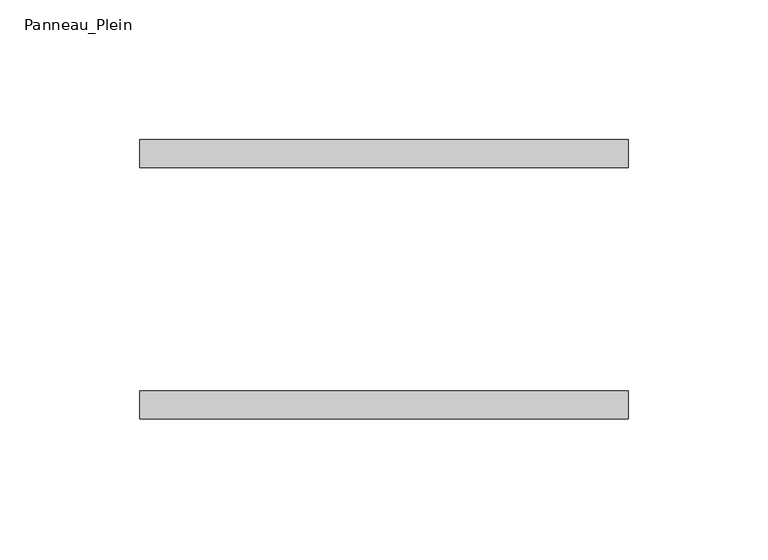
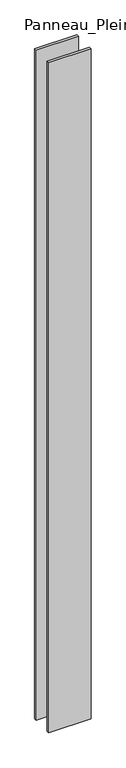
"""IFC4 building model written with IfcOpenShell, lengths in millimetres: plate geometry, Panneau_Plein."""

from ifc_helpers import new_model, si_unit, origin, origin_with_axes, place, context, project, spatial, polyline, outline, extrude, source, transform, mapped, element, save


def panneau_plein_de05d984(model_context):
    return source(origin(), model_context, "Body", "SweptSolid", [
        extrude(outline(polyline([(87.4035739, 50.0), (87.4035739, 40.0), (-87.4035739, 40.0), (-87.4035739, 50.0), (87.4035739, 50.0)])), origin_with_axes(), (0.0, 0.0, 1.0), 2930.3804804),
        extrude(outline(polyline([(87.4035739, -40.0), (87.4035739, -50.0), (-87.4035739, -50.0), (-87.4035739, -40.0), (87.4035739, -40.0)])), origin_with_axes(), (0.0, 0.0, 1.0), 2930.3804804),
    ])


if __name__ == "__main__":
    model = new_model("IFC4")
    model_context = context("Model", 3, world=origin())
    ifc_project = project(units=[si_unit("LENGTHUNIT", "METRE", prefix="MILLI")], contexts=[model_context])
    site = spatial("IfcSite", under=ifc_project)
    building = spatial("IfcBuilding", under=site)
    placement = place(None, origin())
    panneau_plein_shape = panneau_plein_de05d984(model_context)
    element("IfcPlate", 1, ObjectType="Panneau_Plein", at=placement, inside=building, context=model_context, shape_type="MappedRepresentation", body=[
        mapped(panneau_plein_shape, transform((0.0, 0.0, 0.0), x_axis=(1.0, 0.0, 0.0), y_axis=(0.0, 1.0, 0.0), z_axis=(0.0, 0.0, 1.0))),
    ])
    save(model, "model.ifc")
